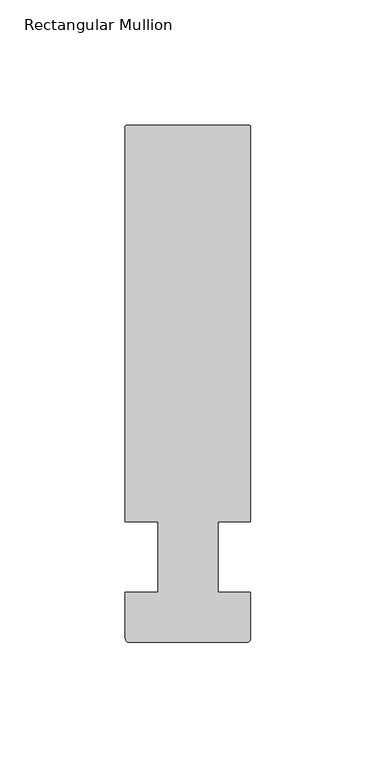
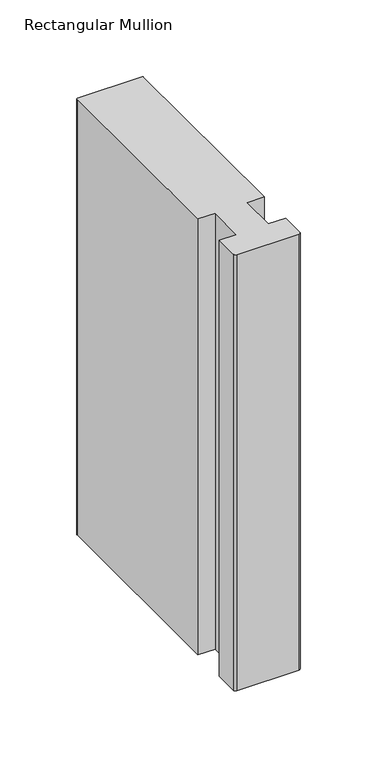
"""IFC4 building model written with IfcOpenShell, lengths in millimetres: member geometry, Rectangular Mullion."""

from ifc_helpers import new_model, si_unit, point, frame, frame_2d, origin, place, context, project, spatial, polyline, circle_curve, trimmed, segment, composite_curve, outline, extrude, source, transform, mapped, element, save


def rectangular_mullion_38af338f(model_context):
    return source(origin(), model_context, "Body", "SweptSolid", [
        extrude(outline(composite_curve([segment(trimmed(circle_curve(frame_2d((24.5, 171.500001)), 0.5), [point((24.5, 172.000001))], [point((25.0, 171.500001))], False, "CARTESIAN"), True, "CONTINUOUS"), segment(polyline([(25.0, 171.500001), (25.0, 14.0), (12.0, 14.0), (12.0, -14.0), (25.0000001, -14.0), (25.0000001, -32.4268412)]), True, "CONTINUOUS"), segment(trimmed(circle_curve(frame_2d((23.4268422, -32.4268412)), 1.5731578), [point((25.0000001, -32.4268412))], [point((23.4268422, -33.999999))], False, "CARTESIAN"), True, "CONTINUOUS"), segment(polyline([(23.4268422, -33.999999), (-23.3824576, -33.999999)]), True, "CONTINUOUS"), segment(trimmed(circle_curve(frame_2d((-23.3824576, -32.3824565)), 1.6175425), [point((-23.3824576, -33.999999))], [point((-25.0000001, -32.3824565))], False, "CARTESIAN"), True, "CONTINUOUS"), segment(polyline([(-25.0000001, -32.3824565), (-25.0000001, -14.0), (-11.999514, -14.0), (-11.999514, 14.0), (-25.0, 14.0), (-25.0, 171.500001)]), True, "CONTINUOUS"), segment(trimmed(circle_curve(frame_2d((-24.5, 171.500001)), 0.5), [point((-25.0, 171.500001))], [point((-24.5, 172.000001))], False, "CARTESIAN"), True, "CONTINUOUS"), segment(polyline([(-24.5, 172.000001), (24.5, 172.000001)]), True, "CONTINUOUS")], self_intersect=False)), frame((0.0, 0.0, -347.0919278), z_axis=(0.0, 0.0, 1.0), x_axis=(1.0, 0.0, 0.0)), (0.0, 0.0, 1.0), 347.0919278),
    ])


if __name__ == "__main__":
    model = new_model("IFC4")
    model_context = context("Model", 3, world=origin())
    ifc_project = project(units=[si_unit("LENGTHUNIT", "METRE", prefix="MILLI")], contexts=[model_context])
    site = spatial("IfcSite", under=ifc_project)
    building = spatial("IfcBuilding", under=site)
    placement = place(None, origin())
    rectangular_mullion_shape = rectangular_mullion_38af338f(model_context)
    element("IfcMember", 1, ObjectType="Rectangular Mullion", at=placement, inside=building, context=model_context, shape_type="MappedRepresentation", body=[
        mapped(rectangular_mullion_shape, transform((0.0, 0.0, 0.0), x_axis=(1.0, 0.0, 0.0), y_axis=(0.0, 1.0, 0.0), z_axis=(0.0, 0.0, 1.0))),
    ])
    save(model, "model.ifc")
